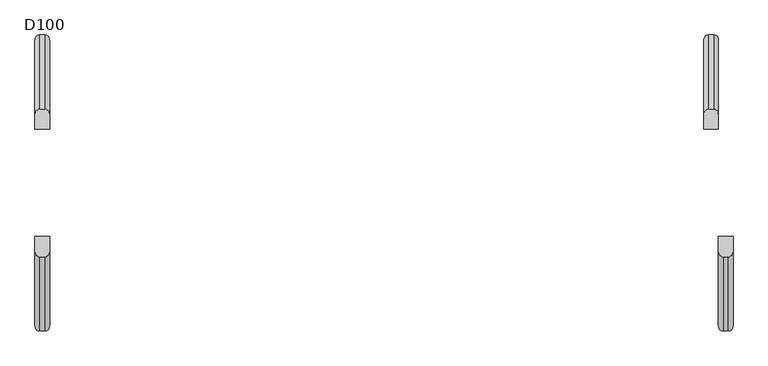
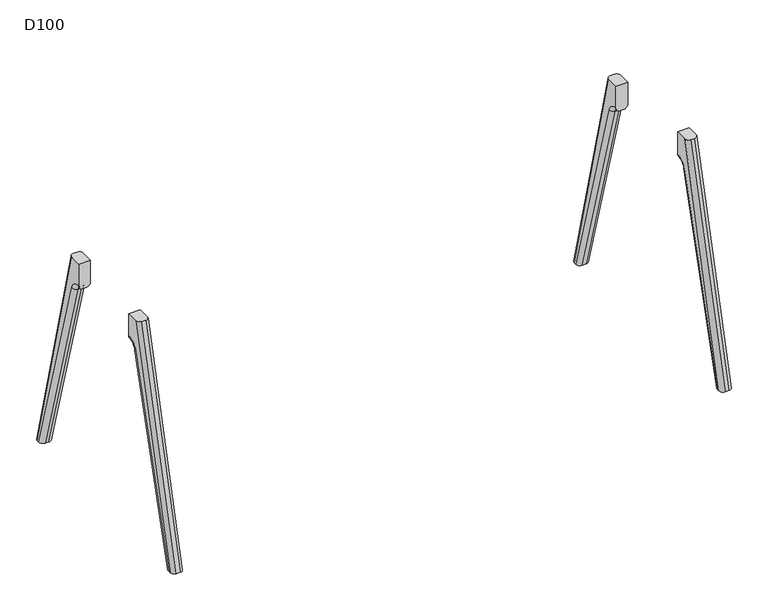
"""IFC4 building model written with IfcOpenShell, lengths in millimetres: furniture geometry, D100."""

from ifc_helpers import new_model, si_unit, point, frame, origin, place, context, project, spatial, polyline, circle_curve, ellipse_curve, trimmed, source, transform, mapped, element, save
from ifc_brep_helpers import plane_surface, cylinder_surface, revolved_surface, advanced_brep


def d100_5fb343c3(model_context):
    return source(origin(), model_context, "Body", "AdvancedBrep", [
        advanced_brep(
        [(0.0, -211.7278851, 880.0006338), (0.0, -439.8031746, 0.0), (15.0, -455.2987797, 0.0), (15.0, -227.2234902, 880.0006338), (45.0, -439.8031746, 0.0), (45.0, -211.7278851, 880.0006338), (30.0, -227.2234902, 880.0006338), (30.0, -455.2987797, 0.0), (45.0, -165.2234902, 880.0006338), (45.0, -429.58813, 0.0), (45.0, -211.1253977, 757.7437132), (45.0, -166.9256926, 791.0006338), (45.0, -165.2234902, 791.0006338), (0.0, -165.2234902, 880.0006338), (0.0, -165.2234902, 791.0006338), (0.0, -166.9256926, 791.0006338), (0.0, -211.1253977, 757.7437132), (0.0, -429.58813, 0.0), (30.0, -413.9771661, 0.0), (15.0, -413.9771661, 0.0), (15.0, -196.7124504, 753.5883612), (30.0, -196.7124504, 753.5883612), (30.0, -165.2234902, 776.0006338), (15.0, -165.2234902, 776.0006338), (30.0, -166.9256926, 776.0006338), (15.0, -166.9256926, 776.0006338)],
        [
            (0, 1),
            (1, 2, ellipse_curve(frame((15.0, -439.8031746, 0.0), z_axis=(0.0, 0.0, 1.0), x_axis=(0.0, 1.0, 0.0)), 15.4956051, 15.0)),
            (2, 3),
            (3, 0, ellipse_curve(frame((15.0, -211.7278851, 880.0006338), z_axis=(0.0, 0.0, -1.0), x_axis=(0.0, 1.0, 0.0)), 15.4956051, 15.0)),
            (4, 5),
            (5, 6, ellipse_curve(frame((30.0, -211.7278851, 880.0006338), z_axis=(0.0, 0.0, -1.0), x_axis=(0.0, 1.0, 0.0)), 15.4956051, 15.0)),
            (6, 7),
            (7, 4, ellipse_curve(frame((30.0, -439.8031746, 0.0), z_axis=(0.0, 0.0, 1.0), x_axis=(0.0, 1.0, 0.0)), 15.4956051, 15.0)),
            (8, 5),
            (4, 9),
            (9, 10),
            (10, 11, circle_curve(frame((45.0, -166.9256926, 745.0006338), z_axis=(-1.0, 0.0, 0.0), x_axis=(0.0, -0.9608631532166849, 0.2770234661368772)), 46.0)),
            (11, 12),
            (12, 8),
            (0, 13),
            (13, 14),
            (14, 15),
            (15, 16, circle_curve(frame((0.0, -166.9256926, 745.0006338), z_axis=(1.0, 0.0, 0.0), x_axis=(0.0, -0.9608631532166849, 0.2770234661368772)), 46.0)),
            (16, 17),
            (17, 1),
            (18, 19),
            (19, 20),
            (20, 21),
            (21, 18),
            (7, 2),
            (17, 19, ellipse_curve(frame((15.0, -429.58813, 0.0), z_axis=(0.0, 0.0, -1.0), x_axis=(0.0, 1.0, 0.0)), 15.6109639, 15.0)),
            (18, 9, ellipse_curve(frame((30.0, -429.58813, 0.0), z_axis=(0.0, 0.0, -1.0), x_axis=(0.0, 1.0, 0.0)), 15.6109639, 15.0)),
            (6, 3),
            (8, 13),
            (12, 22, circle_curve(frame((30.0, -165.2234902, 791.0006338), z_axis=(0.0, 1.0, 0.0), x_axis=(0.0, 0.0, 1.0)), 15.0)),
            (22, 23),
            (23, 14, circle_curve(frame((15.0, -165.2234902, 791.0006338), z_axis=(0.0, 1.0, 0.0), x_axis=(0.0, 0.0, 1.0)), 15.0)),
            (22, 24),
            (24, 25),
            (25, 23),
            (24, 21, circle_curve(frame((30.0, -166.9256926, 745.0006338), z_axis=(1.0, 0.0, 0.0), x_axis=(0.0, 1.0, 0.0)), 31.0)),
            (20, 25, circle_curve(frame((15.0, -166.9256926, 745.0006338), z_axis=(-1.0, 0.0, 0.0), x_axis=(0.0, 1.0, 0.0)), 31.0)),
            (16, 20, circle_curve(frame((15.0, -211.1253977, 757.7437132), z_axis=(0.0, -0.2770234661368847, -0.9608631532166827), x_axis=(0.0, -0.9608631532166827, 0.2770234661368847)), 15.0)),
            (21, 10, circle_curve(frame((30.0, -211.1253977, 757.7437132), z_axis=(0.0, -0.2770234661368847, -0.9608631532166827), x_axis=(0.0, -0.9608631532166827, 0.2770234661368847)), 15.0)),
            (25, 15, circle_curve(frame((15.0, -166.9256926, 791.0006338), z_axis=(0.0, 1.0, 0.0), x_axis=(0.0, 0.0, 1.0)), 15.0)),
            (11, 24, circle_curve(frame((30.0, -166.9256926, 791.0006338), z_axis=(0.0, 1.0, 0.0), x_axis=(0.0, 0.0, 1.0)), 15.0)),
        ],
        [
            cylinder_surface(frame((15.0, -457.7527706, -69.2563225), z_axis=(0.0, 0.25088689062883374, 0.9680164090089567), x_axis=(0.0, -0.9680164090089567, 0.25088689062883374)), 15.0),
            cylinder_surface(frame((30.0, -457.7527706, -69.2563225), z_axis=(0.0, 0.25088689062883374, 0.9680164090089567), x_axis=(0.0, -0.9680164090089567, 0.25088689062883374)), 15.0),
            plane_surface(frame((45.0, -135.9256926, 745.0006338), z_axis=(1.0, 0.0, 0.0), x_axis=(0.0, 0.0, -1.0))),
            plane_surface(frame((0.0, -135.9256926, 745.0006338), z_axis=(-1.0, 0.0, 0.0), x_axis=(0.0, 0.0, 1.0))),
            plane_surface(frame((45.0, -413.9771661, 0.0), z_axis=(0.0, 0.9608631532166828, -0.2770234661368848), x_axis=(-1.0, 0.0, 0.0))),
            plane_surface(frame((45.0, -455.2987797, 0.0), z_axis=(0.0, 0.0, -1.0), x_axis=(-1.0, 0.0, 0.0))),
            plane_surface(frame((45.0, -227.2234902, 880.0006338), z_axis=(0.0, -0.9680164090089575, 0.25088689062883046), x_axis=(-1.0, 0.0, 0.0))),
            plane_surface(frame((45.0, -165.2234902, 880.0006338), z_axis=(0.0, 0.0, 1.0), x_axis=(-1.0, 0.0, 0.0))),
            plane_surface(frame((45.0, -165.2234902, 776.0006338), z_axis=(0.0, 1.0, 0.0), x_axis=(-1.0, 0.0, 0.0))),
            plane_surface(frame((45.0, -166.9256926, 776.0006338), z_axis=(0.0, 0.0, -1.0), x_axis=(-1.0, 0.0, 0.0))),
            revolved_surface(polyline([(15.0, -135.9256926, 745.0006338), (30.0, -135.9256926, 745.0006338)]), (0.0, -166.9256926, 745.0006338), (-1.0, 0.0, 0.0)),
            cylinder_surface(frame((15.0, -448.1062889, -64.2307193), z_axis=(0.0, 0.2770234661368847, 0.9608631532166827), x_axis=(0.0, -0.9608631532166827, 0.2770234661368847)), 15.0),
            cylinder_surface(frame((30.0, -448.1062889, -64.2307193), z_axis=(0.0, 0.2770234661368847, 0.9608631532166827), x_axis=(0.0, -0.9608631532166827, 0.2770234661368847)), 15.0),
            cylinder_surface(frame((15.0, -166.9256926, 791.0006338), z_axis=(0.0, 1.0, 0.0), x_axis=(0.0, 0.0, 1.0)), 15.0),
            cylinder_surface(frame((30.0, -166.9256926, 791.0006338), z_axis=(0.0, 1.0, 0.0), x_axis=(0.0, 0.0, 1.0)), 15.0),
            revolved_surface(trimmed(ellipse_curve(frame((15.0, -211.1253977, 757.7437132), z_axis=(0.0, -0.27702346613687723, -0.9608631532166849), x_axis=(0.0, -0.9608631532166849, 0.27702346613687723)), 15.0, 15.0), [point((0.0, -211.1253977, 757.7437132))], [point((15.0, -196.7124504, 753.5883612))], True, "CARTESIAN"), (782.0, -166.9256926, 745.0006338), (-1.0, 0.0, 0.0)),
            revolved_surface(trimmed(ellipse_curve(frame((30.0, -211.1253977, 757.7437132), z_axis=(0.0, -0.27702346613687723, -0.9608631532166849), x_axis=(0.0, -0.9608631532166849, 0.27702346613687723)), 15.0, 15.0), [point((30.0, -196.7124504, 753.5883612))], [point((45.0, -211.1253977, 757.7437132))], True, "CARTESIAN"), (782.0, -166.9256926, 745.0006338), (-1.0, 0.0, 0.0)),
        ],
        [
            (0, [[1, 2, 3, 4]]),
            (1, [[5, 6, 7, 8]]),
            (2, [[9, -5, 10, 11, 12, 13, 14]]),
            (3, [[15, 16, 17, 18, 19, 20, -1]]),
            (4, [[21, 22, 23, 24]]),
            (5, [[25, -2, -20, 26, -21, 27, -10, -8]]),
            (6, [[-25, -7, 28, -3]]),
            (7, [[29, -15, -4, -28, -6, -9]]),
            (8, [[-29, -14, 30, 31, 32, -16]]),
            (9, [[-31, 33, 34, 35]]),
            (10, [[-34, 36, -23, 37]]),
            (11, [[38, -22, -26, -19]]),
            (12, [[39, -11, -27, -24]]),
            (13, [[40, -17, -32, -35]]),
            (14, [[41, -33, -30, -13]]),
            (15, [[-38, -18, -40, -37]]),
            (16, [[-39, -36, -41, -12]]),
        ],
    ),
        advanced_brep(
        [(-45.0, 165.2234902, 880.0006338), (-45.0, 211.7278851, 880.0006338), (-45.0, 439.8031746, 0.0), (-45.0, 429.58813, 0.0), (-45.0, 211.1253977, 757.7437132), (-45.0, 166.9256926, 791.0006338), (-45.0, 165.2234902, 791.0006338), (0.0, 211.7278851, 880.0006338), (0.0, 165.2234902, 880.0006338), (0.0, 165.2234902, 791.0006338), (0.0, 166.9256926, 791.0006338), (0.0, 211.1253977, 757.7437132), (0.0, 429.58813, 0.0), (0.0, 439.8031746, 0.0), (-30.0, 413.9771661, 0.0), (-15.0, 413.9771661, 0.0), (-15.0, 196.7124504, 753.5883612), (-30.0, 196.7124504, 753.5883612), (-30.0, 455.2987797, 0.0), (-15.0, 455.2987797, 0.0), (-30.0, 227.2234902, 880.0006338), (-15.0, 227.2234902, 880.0006338), (-30.0, 165.2234902, 776.0006338), (-15.0, 165.2234902, 776.0006338), (-30.0, 166.9256926, 776.0006338), (-15.0, 166.9256926, 776.0006338)],
        [
            (0, 1),
            (1, 2),
            (2, 3),
            (3, 4),
            (4, 5, circle_curve(frame((-45.0, 166.9256926, 745.0006338), z_axis=(1.0, 0.0, 0.0), x_axis=(0.0, 0.0, 1.0)), 46.0)),
            (5, 6),
            (6, 0),
            (7, 8),
            (8, 9),
            (9, 10),
            (10, 11, circle_curve(frame((0.0, 166.9256926, 745.0006338), z_axis=(-1.0, 0.0, 0.0), x_axis=(0.0, 0.0, 1.0)), 46.0)),
            (11, 12),
            (12, 13),
            (13, 7),
            (14, 15),
            (15, 16),
            (16, 17),
            (17, 14),
            (18, 19),
            (19, 13, ellipse_curve(frame((-15.0, 439.8031746, 0.0), z_axis=(0.0, 0.0, -1.0), x_axis=(0.0, -1.0, 0.0)), 15.4956051, 15.0)),
            (12, 15, ellipse_curve(frame((-15.0, 429.58813, 0.0), z_axis=(0.0, 0.0, -1.0), x_axis=(0.0, 1.0, 0.0)), 15.6109639, 15.0)),
            (14, 3, ellipse_curve(frame((-30.0, 429.58813, 0.0), z_axis=(0.0, 0.0, -1.0), x_axis=(0.0, 1.0, 0.0)), 15.6109639, 15.0)),
            (2, 18, ellipse_curve(frame((-30.0, 439.8031746, 0.0), z_axis=(0.0, 0.0, -1.0), x_axis=(0.0, -1.0, 0.0)), 15.4956051, 15.0)),
            (18, 20),
            (20, 21),
            (21, 19),
            (0, 8),
            (7, 21, ellipse_curve(frame((-15.0, 211.7278851, 880.0006338), z_axis=(0.0, 0.0, 1.0), x_axis=(0.0, -1.0, 0.0)), 15.4956051, 15.0)),
            (20, 1, ellipse_curve(frame((-30.0, 211.7278851, 880.0006338), z_axis=(0.0, 0.0, 1.0), x_axis=(0.0, -1.0, 0.0)), 15.4956051, 15.0)),
            (6, 22, circle_curve(frame((-30.0, 165.2234902, 791.0006338), z_axis=(0.0, -1.0, 0.0), x_axis=(0.0, 0.0, -1.0)), 15.0)),
            (22, 23),
            (23, 9, circle_curve(frame((-15.0, 165.2234902, 791.0006338), z_axis=(0.0, -1.0, 0.0), x_axis=(0.0, 0.0, -1.0)), 15.0)),
            (22, 24),
            (24, 25),
            (25, 23),
            (24, 17, circle_curve(frame((-30.0, 166.9256926, 745.0006338), z_axis=(-1.0, 0.0, 0.0), x_axis=(0.0, -1.0, 0.0)), 31.0)),
            (16, 25, circle_curve(frame((-15.0, 166.9256926, 745.0006338), z_axis=(1.0, 0.0, 0.0), x_axis=(0.0, -1.0, 0.0)), 31.0)),
            (25, 10, circle_curve(frame((-15.0, 166.9256926, 791.0006338), z_axis=(0.0, -1.0, 0.0), x_axis=(0.0, 0.0, -1.0)), 15.0)),
            (5, 24, circle_curve(frame((-30.0, 166.9256926, 791.0006338), z_axis=(0.0, -1.0, 0.0), x_axis=(0.0, 0.0, -1.0)), 15.0)),
            (11, 16, circle_curve(frame((-15.0, 211.1253977, 757.7437132), z_axis=(0.0, 0.277023466136888, -0.9608631532166818), x_axis=(0.0, -0.9608631532166818, -0.277023466136888)), 15.0)),
            (17, 4, circle_curve(frame((-30.0, 211.1253977, 757.7437132), z_axis=(0.0, 0.277023466136888, -0.9608631532166818), x_axis=(0.0, -0.9608631532166818, -0.277023466136888)), 15.0)),
        ],
        [
            plane_surface(frame((-45.0, 135.9256926, 745.0006338), z_axis=(-1.0, 0.0, 0.0), x_axis=(0.0, 0.0, -1.0))),
            plane_surface(frame((0.0, 135.9256926, 745.0006338), z_axis=(1.0, 0.0, 0.0), x_axis=(0.0, 0.0, 1.0))),
            plane_surface(frame((-45.0, 413.9771661, 0.0), z_axis=(0.0, -0.9608631532166828, -0.2770234661368848), x_axis=(1.0, 0.0, 0.0))),
            plane_surface(frame((-45.0, 455.2987797, 0.0), z_axis=(0.0, 0.0, -1.0), x_axis=(1.0, 0.0, 0.0))),
            plane_surface(frame((-45.0, 227.2234902, 880.0006338), z_axis=(0.0, 0.9680164090089575, 0.25088689062883046), x_axis=(1.0, 0.0, 0.0))),
            plane_surface(frame((-45.0, 165.2234902, 880.0006338), z_axis=(0.0, 0.0, 1.0), x_axis=(1.0, 0.0, 0.0))),
            plane_surface(frame((-45.0, 165.2234902, 776.0006338), z_axis=(0.0, -1.0, 0.0), x_axis=(1.0, 0.0, 0.0))),
            plane_surface(frame((-45.0, 166.9256926, 776.0006338), z_axis=(0.0, 0.0, -1.0), x_axis=(1.0, 0.0, 0.0))),
            revolved_surface(polyline([(-15.0, 135.9256926, 745.0006338), (-30.0, 135.9256926, 745.0006338)]), (0.0, 166.9256926, 745.0006338), (1.0, 0.0, 0.0)),
            cylinder_surface(frame((-15.0, 457.7527706, -69.2563225), z_axis=(0.0, -0.25088689062883374, 0.9680164090089567), x_axis=(0.0, 0.9680164090089567, 0.25088689062883374)), 15.0),
            cylinder_surface(frame((-30.0, 457.7527706, -69.2563225), z_axis=(0.0, -0.25088689062883374, 0.9680164090089567), x_axis=(0.0, 0.9680164090089567, 0.25088689062883374)), 15.0),
            cylinder_surface(frame((-15.0, -166.9256926, 791.0006338), z_axis=(0.0, 1.0, 0.0), x_axis=(0.0, 0.0, -1.0)), 15.0),
            cylinder_surface(frame((-30.0, -166.9256926, 791.0006338), z_axis=(0.0, 1.0, 0.0), x_axis=(0.0, 0.0, -1.0)), 15.0),
            cylinder_surface(frame((-15.0, 211.1253977, 757.7437132), z_axis=(0.0, 0.277023466136888, -0.9608631532166818), x_axis=(0.0, -0.9608631532166818, -0.277023466136888)), 15.0),
            cylinder_surface(frame((-30.0, 211.1253977, 757.7437132), z_axis=(0.0, 0.277023466136888, -0.9608631532166818), x_axis=(0.0, -0.9608631532166818, -0.277023466136888)), 15.0),
            revolved_surface(trimmed(ellipse_curve(frame((-15.0, 166.9256926, 791.0006338), z_axis=(0.0, -1.0, 0.0), x_axis=(0.0, 0.0, -1.0)), 15.0, 15.0), [point((-15.0, 166.9256926, 776.0006338))], [point((0.0, 166.9256926, 791.0006338))], True, "CARTESIAN"), (-782.0, 166.9256926, 745.0006338), (-1.0, 0.0, 0.0)),
            revolved_surface(trimmed(ellipse_curve(frame((-30.0, 166.9256926, 791.0006338), z_axis=(0.0, -1.0, 0.0), x_axis=(0.0, 0.0, -1.0)), 15.0, 15.0), [point((-45.0, 166.9256926, 791.0006338))], [point((-30.0, 166.9256926, 776.0006338))], True, "CARTESIAN"), (-782.0, 166.9256926, 745.0006338), (-1.0, 0.0, 0.0)),
        ],
        [
            (0, [[1, 2, 3, 4, 5, 6, 7]]),
            (1, [[8, 9, 10, 11, 12, 13, 14]]),
            (2, [[15, 16, 17, 18]]),
            (3, [[19, 20, -13, 21, -15, 22, -3, 23]]),
            (4, [[-19, 24, 25, 26]]),
            (5, [[27, -8, 28, -25, 29, -1]]),
            (6, [[-27, -7, 30, 31, 32, -9]]),
            (7, [[-31, 33, 34, 35]]),
            (8, [[-34, 36, -17, 37]]),
            (9, [[-14, -20, -26, -28]]),
            (10, [[-2, -29, -24, -23]]),
            (11, [[38, -10, -32, -35]]),
            (12, [[39, -33, -30, -6]]),
            (13, [[40, -16, -21, -12]]),
            (14, [[41, -4, -22, -18]]),
            (15, [[-38, -37, -40, -11]]),
            (16, [[-39, -5, -41, -36]]),
        ],
    ),
        advanced_brep(
        [(-2099.0, -211.1253977, 757.7437132), (-2084.0, -196.7124504, 753.5883612), (-2084.0, -413.9771661, 0.0), (-2099.0, -429.58813, 0.0), (-2069.0, -196.7124504, 753.5883612), (-2054.0, -211.1253977, 757.7437132), (-2054.0, -429.58813, 0.0), (-2069.0, -413.9771661, 0.0), (-2084.0, -166.9256926, 776.0006338), (-2099.0, -166.9256926, 791.0006338), (-2099.0, -165.2234902, 791.0006338), (-2084.0, -165.2234902, 776.0006338), (-2054.0, -166.9256926, 791.0006338), (-2069.0, -166.9256926, 776.0006338), (-2069.0, -165.2234902, 776.0006338), (-2054.0, -165.2234902, 791.0006338), (-2054.0, -165.2234902, 880.0006338), (-2054.0, -211.7278851, 880.0006338), (-2054.0, -439.8031746, 0.0), (-2099.0, -165.2234902, 880.0006338), (-2099.0, -439.8031746, 0.0), (-2099.0, -211.7278851, 880.0006338), (-2069.0, -455.2987797, 0.0), (-2084.0, -455.2987797, 0.0), (-2069.0, -227.2234902, 880.0006338), (-2084.0, -227.2234902, 880.0006338)],
        [
            (0, 1, circle_curve(frame((-2084.0, -211.1253977, 757.7437132), z_axis=(0.0, -0.2770234661368847, -0.9608631532166827), x_axis=(0.0, -0.9608631532166827, 0.2770234661368847)), 15.0)),
            (1, 2),
            (2, 3, ellipse_curve(frame((-2084.0, -429.58813, 0.0), z_axis=(0.0, 0.0, 1.0), x_axis=(0.0, 1.0, 0.0)), 15.6109639, 15.0)),
            (3, 0),
            (4, 5, circle_curve(frame((-2069.0, -211.1253977, 757.7437132), z_axis=(0.0, -0.2770234661368847, -0.9608631532166827), x_axis=(0.0, -0.9608631532166827, 0.2770234661368847)), 15.0)),
            (5, 6),
            (6, 7, ellipse_curve(frame((-2069.0, -429.58813, 0.0), z_axis=(0.0, 0.0, 1.0), x_axis=(0.0, 1.0, 0.0)), 15.6109639, 15.0)),
            (7, 4),
            (8, 9, circle_curve(frame((-2084.0, -166.9256926, 791.0006338), z_axis=(0.0, 1.0, 0.0), x_axis=(0.0, 0.0, 1.0)), 15.0)),
            (9, 10),
            (10, 11, circle_curve(frame((-2084.0, -165.2234902, 791.0006338), z_axis=(0.0, -1.0, 0.0), x_axis=(0.0, 0.0, 1.0)), 15.0)),
            (11, 8),
            (12, 13, circle_curve(frame((-2069.0, -166.9256926, 791.0006338), z_axis=(0.0, 1.0, 0.0), x_axis=(0.0, 0.0, 1.0)), 15.0)),
            (13, 14),
            (14, 15, circle_curve(frame((-2069.0, -165.2234902, 791.0006338), z_axis=(0.0, -1.0, 0.0), x_axis=(0.0, 0.0, 1.0)), 15.0)),
            (15, 12),
            (0, 9, circle_curve(frame((-2099.0, -166.9256926, 745.0006338), z_axis=(-1.0, 0.0, 0.0), x_axis=(0.0, -0.9608631532166849, 0.2770234661368772)), 46.0)),
            (8, 1, circle_curve(frame((-2084.0, -166.9256926, 745.0006338), z_axis=(1.0, 0.0, 0.0), x_axis=(0.0, -0.9608631532166849, 0.2770234661368772)), 31.0)),
            (4, 13, circle_curve(frame((-2069.0, -166.9256926, 745.0006338), z_axis=(-1.0, 0.0, 0.0), x_axis=(0.0, -0.9608631532166849, 0.2770234661368772)), 31.0)),
            (12, 5, circle_curve(frame((-2054.0, -166.9256926, 745.0006338), z_axis=(1.0, 0.0, 0.0), x_axis=(0.0, -0.9608631532166849, 0.2770234661368772)), 46.0)),
            (15, 16),
            (16, 17),
            (17, 18),
            (18, 6),
            (19, 10),
            (3, 20),
            (20, 21),
            (21, 19),
            (7, 2),
            (1, 4),
            (18, 22, ellipse_curve(frame((-2069.0, -439.8031746, 0.0), z_axis=(0.0, 0.0, -1.0), x_axis=(0.0, 1.0, 0.0)), 15.4956051, 15.0)),
            (22, 23),
            (23, 20, ellipse_curve(frame((-2084.0, -439.8031746, 0.0), z_axis=(0.0, 0.0, -1.0), x_axis=(0.0, 1.0, 0.0)), 15.4956051, 15.0)),
            (22, 24),
            (24, 25),
            (25, 23),
            (16, 19),
            (21, 25, ellipse_curve(frame((-2084.0, -211.7278851, 880.0006338), z_axis=(0.0, 0.0, 1.0), x_axis=(0.0, 1.0, 0.0)), 15.4956051, 15.0)),
            (24, 17, ellipse_curve(frame((-2069.0, -211.7278851, 880.0006338), z_axis=(0.0, 0.0, 1.0), x_axis=(0.0, 1.0, 0.0)), 15.4956051, 15.0)),
            (14, 11),
            (13, 8),
        ],
        [
            cylinder_surface(frame((-2084.0, -448.1062889, -64.2307193), z_axis=(0.0, 0.2770234661368847, 0.9608631532166827), x_axis=(0.0, -0.9608631532166827, 0.2770234661368847)), 15.0),
            cylinder_surface(frame((-2069.0, -448.1062889, -64.2307193), z_axis=(0.0, 0.2770234661368847, 0.9608631532166827), x_axis=(0.0, -0.9608631532166827, 0.2770234661368847)), 15.0),
            cylinder_surface(frame((-2084.0, -166.9256926, 791.0006338), z_axis=(0.0, 1.0, 0.0), x_axis=(0.0, 0.0, 1.0)), 15.0),
            cylinder_surface(frame((-2069.0, -166.9256926, 791.0006338), z_axis=(0.0, 1.0, 0.0), x_axis=(0.0, 0.0, 1.0)), 15.0),
            revolved_surface(trimmed(ellipse_curve(frame((-2084.0, -211.1253977, 757.7437132), z_axis=(0.0, -0.27702346613687723, -0.9608631532166849), x_axis=(0.0, -0.9608631532166849, 0.27702346613687723)), 15.0, 15.0), [point((-2099.0, -211.1253977, 757.7437132))], [point((-2084.0, -196.7124504, 753.5883612))], True, "CARTESIAN"), (-1317.0, -166.9256926, 745.0006338), (-1.0, 0.0, 0.0)),
            revolved_surface(trimmed(ellipse_curve(frame((-2069.0, -211.1253977, 757.7437132), z_axis=(0.0, -0.27702346613687723, -0.9608631532166849), x_axis=(0.0, -0.9608631532166849, 0.27702346613687723)), 15.0, 15.0), [point((-2069.0, -196.7124504, 753.5883612))], [point((-2054.0, -211.1253977, 757.7437132))], True, "CARTESIAN"), (-1317.0, -166.9256926, 745.0006338), (-1.0, 0.0, 0.0)),
            plane_surface(frame((-2054.0, -135.9256926, 745.0006338), z_axis=(1.0, 0.0, 0.0), x_axis=(0.0, 0.0, -1.0))),
            plane_surface(frame((-2099.0, -135.9256926, 745.0006338), z_axis=(-1.0, 0.0, 0.0), x_axis=(0.0, 0.0, 1.0))),
            plane_surface(frame((-2054.0, -413.9771661, 0.0), z_axis=(0.0, 0.9608631532166828, -0.2770234661368848), x_axis=(-1.0, 0.0, 0.0))),
            plane_surface(frame((-2054.0, -455.2987797, 0.0), z_axis=(0.0, 0.0, -1.0), x_axis=(-1.0, 0.0, 0.0))),
            plane_surface(frame((-2054.0, -227.2234902, 880.0006338), z_axis=(0.0, -0.9680164090089575, 0.25088689062883046), x_axis=(-1.0, 0.0, 0.0))),
            plane_surface(frame((-2054.0, -165.2234902, 880.0006338), z_axis=(0.0, 0.0, 1.0), x_axis=(-1.0, 0.0, 0.0))),
            plane_surface(frame((-2054.0, -165.2234902, 776.0006338), z_axis=(0.0, 1.0, 0.0), x_axis=(-1.0, 0.0, 0.0))),
            plane_surface(frame((-2054.0, -166.9256926, 776.0006338), z_axis=(0.0, 0.0, -1.0), x_axis=(-1.0, 0.0, 0.0))),
            revolved_surface(polyline([(-2084.0, -135.9256926, 745.0006338), (-2069.0, -135.9256926, 745.0006338)]), (-2099.0, -166.9256926, 745.0006338), (-1.0, 0.0, 0.0)),
            cylinder_surface(frame((-2084.0, -457.7527706, -69.2563225), z_axis=(0.0, 0.25088689062883374, 0.9680164090089567), x_axis=(0.0, -0.9680164090089567, 0.25088689062883374)), 15.0),
            cylinder_surface(frame((-2069.0, -457.7527706, -69.2563225), z_axis=(0.0, 0.25088689062883374, 0.9680164090089567), x_axis=(0.0, -0.9680164090089567, 0.25088689062883374)), 15.0),
        ],
        [
            (0, [[1, 2, 3, 4]]),
            (1, [[5, 6, 7, 8]]),
            (2, [[9, 10, 11, 12]]),
            (3, [[13, 14, 15, 16]]),
            (4, [[-1, 17, -9, 18]]),
            (5, [[-5, 19, -13, 20]]),
            (6, [[21, 22, 23, 24, -6, -20, -16]]),
            (7, [[25, -10, -17, -4, 26, 27, 28]]),
            (8, [[29, -2, 30, -8]]),
            (9, [[-29, -7, -24, 31, 32, 33, -26, -3]]),
            (10, [[-32, 34, 35, 36]]),
            (11, [[37, -28, 38, -35, 39, -22]]),
            (12, [[-37, -21, -15, 40, -11, -25]]),
            (13, [[-40, -14, 41, -12]]),
            (14, [[-41, -19, -30, -18]]),
            (15, [[-27, -33, -36, -38]]),
            (16, [[-23, -39, -34, -31]]),
        ],
    ),
        advanced_brep(
        [(-2099.0, 166.9256926, 791.0006338), (-2084.0, 166.9256926, 776.0006338), (-2084.0, 165.2234902, 776.0006338), (-2099.0, 165.2234902, 791.0006338), (-2069.0, 166.9256926, 776.0006338), (-2054.0, 166.9256926, 791.0006338), (-2054.0, 165.2234902, 791.0006338), (-2069.0, 165.2234902, 776.0006338), (-2084.0, 196.7124504, 753.5883612), (-2099.0, 211.1253977, 757.7437132), (-2099.0, 429.58813, 0.0), (-2084.0, 413.9771661, 0.0), (-2054.0, 211.1253977, 757.7437132), (-2069.0, 196.7124504, 753.5883612), (-2069.0, 413.9771661, 0.0), (-2054.0, 429.58813, 0.0), (-2054.0, 165.2234902, 880.0006338), (-2054.0, 439.8031746, 0.0), (-2054.0, 211.7278851, 880.0006338), (-2099.0, 165.2234902, 880.0006338), (-2099.0, 211.7278851, 880.0006338), (-2099.0, 439.8031746, 0.0), (-2084.0, 455.2987797, 0.0), (-2069.0, 455.2987797, 0.0), (-2084.0, 227.2234902, 880.0006338), (-2069.0, 227.2234902, 880.0006338)],
        [
            (0, 1, circle_curve(frame((-2084.0, 166.9256926, 791.0006338), z_axis=(0.0, -1.0, 0.0), x_axis=(0.0, 0.0, 1.0)), 15.0)),
            (1, 2),
            (2, 3, circle_curve(frame((-2084.0, 165.2234902, 791.0006338), z_axis=(0.0, 1.0, 0.0), x_axis=(0.0, 0.0, 1.0)), 15.0)),
            (3, 0),
            (4, 5, circle_curve(frame((-2069.0, 166.9256926, 791.0006338), z_axis=(0.0, -1.0, 0.0), x_axis=(0.0, 0.0, 1.0)), 15.0)),
            (5, 6),
            (6, 7, circle_curve(frame((-2069.0, 165.2234902, 791.0006338), z_axis=(0.0, 1.0, 0.0), x_axis=(0.0, 0.0, 1.0)), 15.0)),
            (7, 4),
            (8, 9, circle_curve(frame((-2084.0, 211.1253977, 757.7437132), z_axis=(0.0, 0.277023466136888, -0.9608631532166818), x_axis=(0.0, 0.9608631532166818, 0.277023466136888)), 15.0)),
            (9, 10),
            (10, 11, ellipse_curve(frame((-2084.0, 429.58813, 0.0), z_axis=(0.0, 0.0, 1.0), x_axis=(0.0, 1.0, 0.0)), 15.6109639, 15.0)),
            (11, 8),
            (12, 13, circle_curve(frame((-2069.0, 211.1253977, 757.7437132), z_axis=(0.0, 0.277023466136888, -0.9608631532166818), x_axis=(0.0, 0.9608631532166818, 0.277023466136888)), 15.0)),
            (13, 14),
            (14, 15, ellipse_curve(frame((-2069.0, 429.58813, 0.0), z_axis=(0.0, 0.0, 1.0), x_axis=(0.0, 1.0, 0.0)), 15.6109639, 15.0)),
            (15, 12),
            (0, 9, circle_curve(frame((-2099.0, 166.9256926, 745.0006338), z_axis=(-1.0, 0.0, 0.0), x_axis=(0.0, 0.0, 1.0)), 46.0)),
            (8, 1, circle_curve(frame((-2084.0, 166.9256926, 745.0006338), z_axis=(1.0, 0.0, 0.0), x_axis=(0.0, 0.0, 1.0)), 31.0)),
            (4, 13, circle_curve(frame((-2069.0, 166.9256926, 745.0006338), z_axis=(-1.0, 0.0, 0.0), x_axis=(0.0, 0.0, 1.0)), 31.0)),
            (12, 5, circle_curve(frame((-2054.0, 166.9256926, 745.0006338), z_axis=(1.0, 0.0, 0.0), x_axis=(0.0, 0.0, 1.0)), 46.0)),
            (16, 6),
            (15, 17),
            (17, 18),
            (18, 16),
            (3, 19),
            (19, 20),
            (20, 21),
            (21, 10),
            (13, 8),
            (11, 14),
            (21, 22, ellipse_curve(frame((-2084.0, 439.8031746, 0.0), z_axis=(0.0, 0.0, -1.0), x_axis=(0.0, -1.0, 0.0)), 15.4956051, 15.0)),
            (22, 23),
            (23, 17, ellipse_curve(frame((-2069.0, 439.8031746, 0.0), z_axis=(0.0, 0.0, -1.0), x_axis=(0.0, -1.0, 0.0)), 15.4956051, 15.0)),
            (22, 24),
            (24, 25),
            (25, 23),
            (19, 16),
            (18, 25, ellipse_curve(frame((-2069.0, 211.7278851, 880.0006338), z_axis=(0.0, 0.0, 1.0), x_axis=(0.0, -1.0, 0.0)), 15.4956051, 15.0)),
            (24, 20, ellipse_curve(frame((-2084.0, 211.7278851, 880.0006338), z_axis=(0.0, 0.0, 1.0), x_axis=(0.0, -1.0, 0.0)), 15.4956051, 15.0)),
            (2, 7),
            (1, 4),
        ],
        [
            cylinder_surface(frame((-2084.0, -166.9256926, 791.0006338), z_axis=(0.0, 1.0, 0.0), x_axis=(0.0, 0.0, 1.0)), 15.0),
            cylinder_surface(frame((-2069.0, -166.9256926, 791.0006338), z_axis=(0.0, 1.0, 0.0), x_axis=(0.0, 0.0, 1.0)), 15.0),
            cylinder_surface(frame((-2084.0, 211.1253977, 757.7437132), z_axis=(0.0, 0.277023466136888, -0.9608631532166818), x_axis=(0.0, 0.9608631532166818, 0.277023466136888)), 15.0),
            cylinder_surface(frame((-2069.0, 211.1253977, 757.7437132), z_axis=(0.0, 0.277023466136888, -0.9608631532166818), x_axis=(0.0, 0.9608631532166818, 0.277023466136888)), 15.0),
            revolved_surface(trimmed(ellipse_curve(frame((-2084.0, 166.9256926, 791.0006338), z_axis=(0.0, -1.0, 0.0), x_axis=(0.0, 0.0, 1.0)), 15.0, 15.0), [point((-2099.0, 166.9256926, 791.0006338))], [point((-2084.0, 166.9256926, 776.0006338))], True, "CARTESIAN"), (-1317.0, 166.9256926, 745.0006338), (-1.0, 0.0, 0.0)),
            revolved_surface(trimmed(ellipse_curve(frame((-2069.0, 166.9256926, 791.0006338), z_axis=(0.0, -1.0, 0.0), x_axis=(0.0, 0.0, 1.0)), 15.0, 15.0), [point((-2069.0, 166.9256926, 776.0006338))], [point((-2054.0, 166.9256926, 791.0006338))], True, "CARTESIAN"), (-1317.0, 166.9256926, 745.0006338), (-1.0, 0.0, 0.0)),
            plane_surface(frame((-2054.0, 413.4231192, 1.9217263), z_axis=(1.0000000000000002, 0.0, 0.0), x_axis=(0.0, 0.2770234661368848, -0.9608631532166828))),
            plane_surface(frame((-2099.0, 413.4231192, 1.9217263), z_axis=(-1.0000000000000002, 0.0, 0.0), x_axis=(0.0, -0.2770234661368848, 0.9608631532166828))),
            plane_surface(frame((-2054.0, 196.7124504, 753.5883612), z_axis=(0.0, -0.9608631532166828, -0.2770234661368848), x_axis=(-1.0, 0.0, 0.0))),
            plane_surface(frame((-2054.0, 413.9771661, 0.0), z_axis=(0.0, 0.0, -1.0), x_axis=(-1.0, 0.0, 0.0))),
            plane_surface(frame((-2054.0, 455.2987797, 0.0), z_axis=(0.0, 0.9680164090089575, 0.25088689062883046), x_axis=(-1.0, 0.0, 0.0))),
            plane_surface(frame((-2054.0, 227.2234902, 880.0006338), z_axis=(0.0, 0.0, 1.0), x_axis=(-1.0, 0.0, 0.0))),
            plane_surface(frame((-2054.0, 165.2234902, 880.0006338), z_axis=(0.0, -1.0, 0.0), x_axis=(-1.0, 0.0, 0.0))),
            plane_surface(frame((-2054.0, 165.2234902, 776.0006338), z_axis=(0.0, 0.0, -1.0), x_axis=(-1.0, 0.0, 0.0))),
            revolved_surface(polyline([(-2084.0, 135.9256926, 745.0006338), (-2069.0, 135.9256926, 745.0006338)]), (-2099.0, 166.9256926, 745.0006338), (-1.0, 0.0, 0.0)),
            cylinder_surface(frame((-2084.0, 457.7527706, -69.2563225), z_axis=(0.0, -0.25088689062883374, 0.9680164090089567), x_axis=(0.0, -0.9680164090089567, -0.25088689062883374)), 15.0),
            cylinder_surface(frame((-2069.0, 457.7527706, -69.2563225), z_axis=(0.0, -0.25088689062883374, 0.9680164090089567), x_axis=(0.0, -0.9680164090089567, -0.25088689062883374)), 15.0),
        ],
        [
            (0, [[1, 2, 3, 4]]),
            (1, [[5, 6, 7, 8]]),
            (2, [[9, 10, 11, 12]]),
            (3, [[13, 14, 15, 16]]),
            (4, [[-1, 17, -9, 18]]),
            (5, [[-5, 19, -13, 20]]),
            (6, [[21, -6, -20, -16, 22, 23, 24]]),
            (7, [[25, 26, 27, 28, -10, -17, -4]]),
            (8, [[29, -12, 30, -14]]),
            (9, [[-30, -11, -28, 31, 32, 33, -22, -15]]),
            (10, [[-32, 34, 35, 36]]),
            (11, [[37, -24, 38, -35, 39, -26]]),
            (12, [[-37, -25, -3, 40, -7, -21]]),
            (13, [[-40, -2, 41, -8]]),
            (14, [[-29, -19, -41, -18]]),
            (15, [[-27, -39, -34, -31]]),
            (16, [[-23, -33, -36, -38]]),
        ],
    ),
    ])


if __name__ == "__main__":
    model = new_model("IFC4")
    model_context = context("Model", 3, world=origin())
    ifc_project = project(units=[si_unit("LENGTHUNIT", "METRE", prefix="MILLI")], contexts=[model_context])
    site = spatial("IfcSite", under=ifc_project)
    building = spatial("IfcBuilding", under=site)
    placement = place(None, origin())
    d100_shape = d100_5fb343c3(model_context)
    element("IfcFurniture", 1, ObjectType="D100", at=placement, inside=building, context=model_context, shape_type="MappedRepresentation", body=[
        mapped(d100_shape, transform((0.0, 0.0, 0.0), x_axis=(1.0, 0.0, 0.0), y_axis=(0.0, 1.0, 0.0), z_axis=(0.0, 0.0, 1.0))),
    ])
    save(model, "model.ifc")
